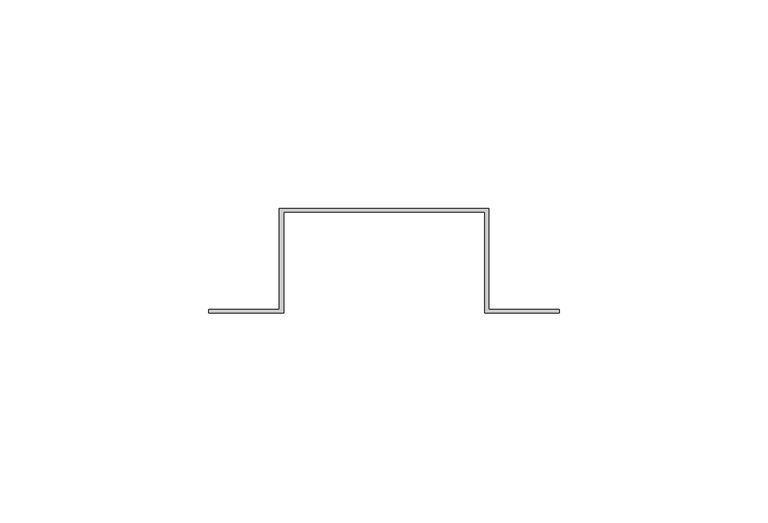
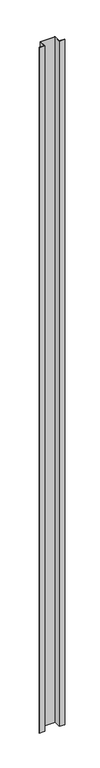
"""IFC4 building model written with IfcOpenShell, lengths in millimetres: proxy geometry."""

from ifc_helpers import new_model, si_unit, origin, origin_with_axes, place, context, project, spatial, polyline, outline, extrude, source, transform, mapped, element, save


def generic_models_e15f71ed(model_context):
    return source(origin(), model_context, "Body", "SweptSolid", [
        extrude(outline(polyline([(-42.0, -6.7), (-25.0396499, -6.7), (-25.0396499, 17.5), (25.0415345, 17.5), (25.0415345, -6.7), (42.0, -6.7), (42.0, -7.5), (24.194476, -7.5), (24.194476, 16.6960346), (-23.968421, 16.6960346), (-23.968421, -7.5), (-42.0, -7.5), (-42.0, -6.7)])), origin_with_axes(), (0.0, 0.0, 1.0), 2400.0),
    ])


if __name__ == "__main__":
    model = new_model("IFC4")
    model_context = context("Model", 3, world=origin())
    ifc_project = project(units=[si_unit("LENGTHUNIT", "METRE", prefix="MILLI")], contexts=[model_context])
    site = spatial("IfcSite", under=ifc_project)
    building = spatial("IfcBuilding", under=site)
    placement = place(None, origin())
    generic_models_shape = generic_models_e15f71ed(model_context)
    element("IfcBuildingElementProxy", 1, Name="Generic Models", at=placement, inside=building, context=model_context, shape_type="MappedRepresentation", body=[
        mapped(generic_models_shape, transform((0.0, 0.0, 0.0), x_axis=(1.0, 0.0, 0.0), y_axis=(0.0, 1.0, 0.0), z_axis=(0.0, 0.0, 1.0))),
    ])
    save(model, "model.ifc")
